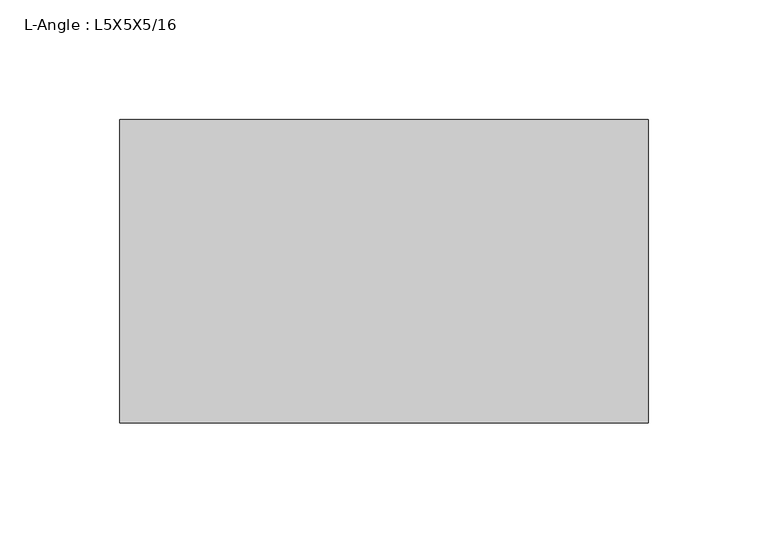
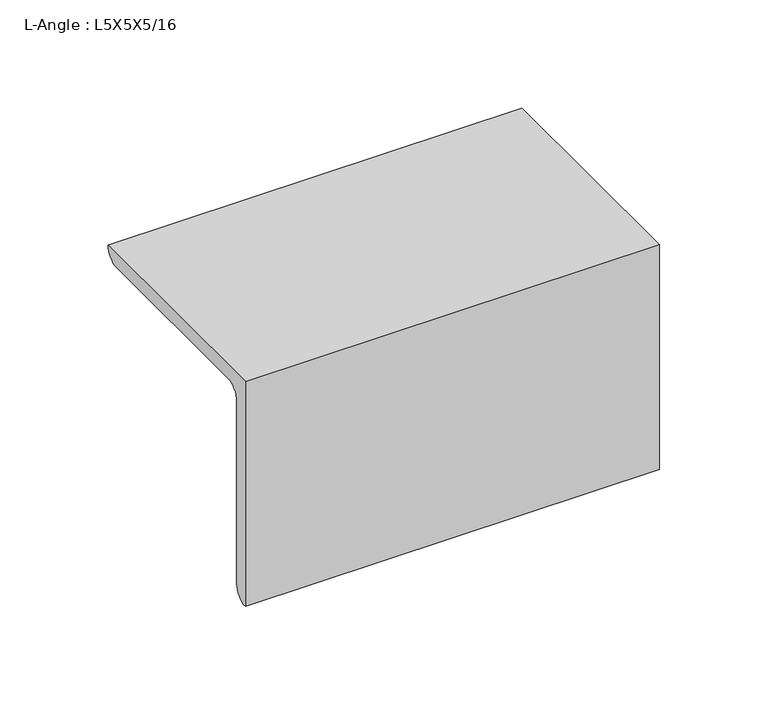
"""IFC4 building model written with IfcOpenShell, lengths in millimetres: beam geometry, L-Angle : L5X5X5/16."""

from ifc_helpers import new_model, si_unit, point, frame, frame_2d, origin, place, context, project, spatial, polyline, circle_curve, trimmed, segment, composite_curve, outline, extrude, source, transform, mapped, element, save


def l_angle_l5x5x5_16_f042ca66(model_context):
    return source(origin(), model_context, "Body", "SweptSolid", [
        extrude(outline(composite_curve([segment(polyline([(-34.3296875, 34.3296875), (92.6703125, 34.3296875)]), True, "CONTINUOUS"), segment(trimmed(circle_curve(frame_2d((84.7328125, 34.3296875)), 7.9375), [point((92.6703125, 34.3296875))], [point((84.7328125, 26.3921875))], False, "CARTESIAN"), True, "CONTINUOUS"), segment(polyline([(84.7328125, 26.3921875), (-18.4546875, 26.3921875)]), True, "CONTINUOUS"), segment(trimmed(circle_curve(frame_2d((-18.4546875, 18.4546875)), 7.9375), [point((-18.4546875, 26.3921875))], [point((-26.3921875, 18.4546875))], True, "CARTESIAN"), True, "CONTINUOUS"), segment(polyline([(-26.3921875, 18.4546875), (-26.3921875, -84.7328125)]), True, "CONTINUOUS"), segment(trimmed(circle_curve(frame_2d((-34.3296875, -84.7328125)), 7.9375), [point((-26.3921875, -84.7328125))], [point((-34.3296875, -92.6703125))], False, "CARTESIAN"), True, "CONTINUOUS"), segment(polyline([(-34.3296875, -92.6703125), (-34.3296875, 34.3296875)]), True, "CONTINUOUS")], self_intersect=False)), frame((-110.5296875, 0.0, 0.0), z_axis=(1.0, 0.0, 0.0), x_axis=(0.0, 1.0, 0.0)), (0.0, 0.0, 1.0), 221.059375),
    ])


if __name__ == "__main__":
    model = new_model("IFC4")
    model_context = context("Model", 3, world=origin())
    ifc_project = project(units=[si_unit("LENGTHUNIT", "METRE", prefix="MILLI")], contexts=[model_context])
    site = spatial("IfcSite", under=ifc_project)
    building = spatial("IfcBuilding", under=site)
    placement = place(None, origin())
    l_angle_l5x5x5_16_shape = l_angle_l5x5x5_16_f042ca66(model_context)
    element("IfcBeam", 1, ObjectType="L-Angle : L5X5X5/16", at=placement, inside=building, context=model_context, shape_type="MappedRepresentation", body=[
        mapped(l_angle_l5x5x5_16_shape, transform((0.0, 0.0, 0.0), x_axis=(1.0, 0.0, 0.0), y_axis=(0.0, 1.0, 0.0), z_axis=(0.0, 0.0, 1.0))),
    ])
    save(model, "model.ifc")
